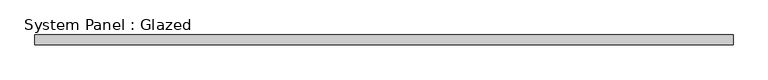
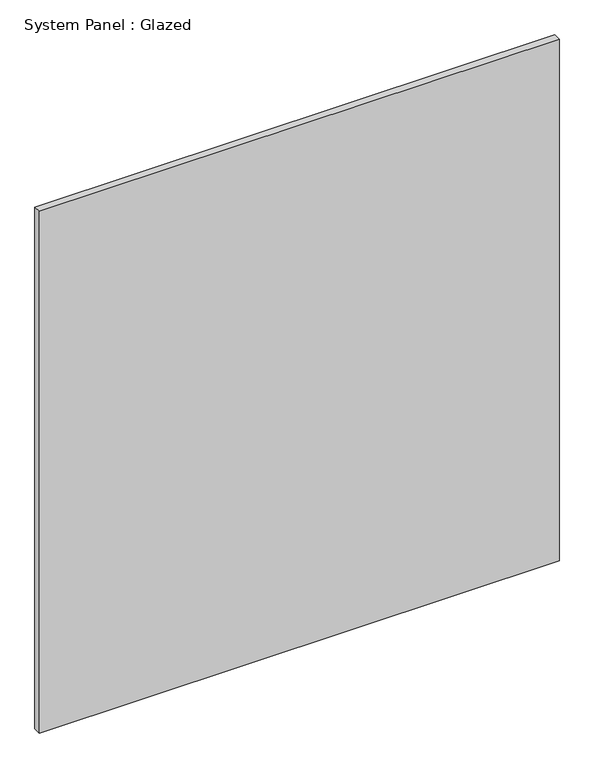
"""IFC4 building model written with IfcOpenShell, lengths in millimetres: plate geometry, System Panel : Glazed."""

from ifc_helpers import new_model, si_unit, origin, origin_with_axes, place, context, project, spatial, polyline, outline, extrude, source, transform, mapped, element, save


def system_panel_glazed_8c85d24b(model_context):
    return source(origin(), model_context, "Body", "SweptSolid", [
        extrude(outline(polyline([(888.7354167, -44.45), (-888.7354167, -44.45), (-888.7354167, -19.05), (888.7354167, -19.05), (888.7354167, -44.45)])), origin_with_axes(), (0.0, 0.0, 1.0), 1885.95),
    ])


if __name__ == "__main__":
    model = new_model("IFC4")
    model_context = context("Model", 3, world=origin())
    ifc_project = project(units=[si_unit("LENGTHUNIT", "METRE", prefix="MILLI")], contexts=[model_context])
    site = spatial("IfcSite", under=ifc_project)
    building = spatial("IfcBuilding", under=site)
    placement = place(None, origin())
    system_panel_glazed_shape = system_panel_glazed_8c85d24b(model_context)
    element("IfcPlate", 1, ObjectType="System Panel : Glazed", at=placement, inside=building, context=model_context, shape_type="MappedRepresentation", body=[
        mapped(system_panel_glazed_shape, transform((0.0, 0.0, 0.0), x_axis=(1.0, 0.0, 0.0), y_axis=(0.0, 1.0, 0.0), z_axis=(0.0, 0.0, 1.0))),
    ])
    save(model, "model.ifc")
